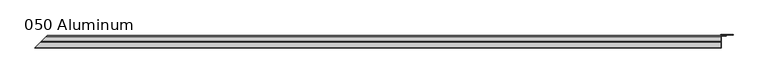
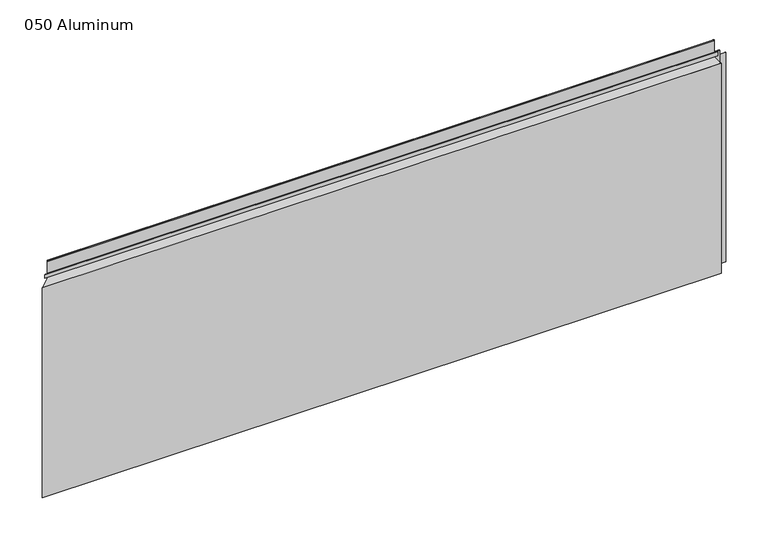
"""IFC4 building model written with IfcOpenShell, lengths in millimetres: plate geometry, 050 Aluminum."""

from ifc_helpers import new_model, si_unit, frame, origin, origin_with_axes, place, context, project, spatial, polyline, circle_curve, ellipse_curve, outline, extrude, source, transform, mapped, element, save
from ifc_brep_helpers import plane_surface, cylinder_surface, revolved_surface, advanced_brep


def plate_050_aluminum_3308f570(model_context):
    return source(origin(), model_context, "Body", "SolidModel", [
        advanced_brep(
        [(906.7800002, -16.6765477, 13.1458337), (906.7800002, -23.0264743, 13.124237), (906.7800002, -23.0264743, 1.2693678), (906.7800002, -34.7980002, 1.2693678), (906.7800002, -34.7980002, 0.0), (906.7800002, -21.7564743, 0.0), (906.7800002, -21.7564743, 13.124237), (906.7800002, -17.9464915, 13.1323356), (906.7800002, -17.9464915, 2.786437), (906.7800002, -16.6765477, 2.786437), (-937.4265479, -16.6765477, 2.786437), (-937.4265479, -16.6765477, 13.1458337), (-938.6964916, -17.9464915, 2.786437), (-938.6964916, -17.9464915, 13.1323356), (-942.5064744, -21.7564743, 13.124237), (-942.5064744, -21.7564743, 0.0), (-955.5480002, -34.7980002, 0.0), (-955.5480002, -34.7980002, 1.2693678), (-943.7764744, -23.0264743, 1.2693678), (-943.7764744, -23.0264743, 13.124237)],
        [
            (0, 1, circle_curve(frame((906.7800002, -19.8514743, 13.124237), z_axis=(1.0, 0.0, 0.0), x_axis=(0.0, 0.0, -1.0)), 3.175)),
            (1, 2),
            (2, 3),
            (3, 4),
            (4, 5),
            (5, 6),
            (6, 7, circle_curve(frame((906.7800002, -19.8514743, 13.124237), z_axis=(-1.0, 0.0, 0.0), x_axis=(0.0, 0.0, -1.0)), 1.905)),
            (7, 8),
            (8, 9),
            (9, 0),
            (9, 10),
            (10, 11),
            (11, 0),
            (8, 12),
            (12, 10),
            (7, 13),
            (13, 12),
            (6, 14),
            (14, 13, ellipse_curve(frame((-940.6014744, -19.8514743, 13.124237), z_axis=(-0.7071067811865465, 0.7071067811865488, 0.0), x_axis=(0.7071067811865486, 0.7071067811865465, 0.0)), 2.6940768, 1.905)),
            (5, 15),
            (15, 14),
            (4, 16),
            (16, 15),
            (3, 17),
            (17, 16),
            (2, 18),
            (18, 17),
            (1, 19),
            (19, 18),
            (11, 19, ellipse_curve(frame((-940.6014744, -19.8514743, 13.124237), z_axis=(0.7071067811865465, -0.7071067811865488, 0.0), x_axis=(-0.7071067811865486, -0.7071067811865465, 0.0)), 4.4901281, 3.175)),
        ],
        [
            plane_surface(frame((906.7800002, -36.068, 0.0), z_axis=(1.0, 0.0, 0.0), x_axis=(0.0, 0.0, 1.0))),
            plane_surface(frame((-955.5480002, -16.6765477, 13.1458337), z_axis=(0.0, 1.0, 0.0), x_axis=(1.0, 0.0, 0.0))),
            plane_surface(frame((-955.5480002, -16.6765477, 2.786437), z_axis=(0.0, 0.0, -1.0), x_axis=(1.0, 0.0, 0.0))),
            plane_surface(frame((-955.5480002, -17.9464915, 2.786437), z_axis=(0.0, -1.0, 0.0), x_axis=(1.0, 0.0, 0.0))),
            revolved_surface(polyline([(906.7800002, -19.8514743, 11.219237000000001), (-942.5064744, -19.8514743, 11.219237000000001)]), (-955.5480002, -19.8514743, 13.124237), (1.0, 0.0, 0.0)),
            plane_surface(frame((-955.5480002, -21.7564743, 13.124237), z_axis=(0.0, 1.0, 0.0), x_axis=(1.0, 0.0, 0.0))),
            plane_surface(frame((-955.5480002, -21.7564743, 0.0), z_axis=(0.0, 0.0, -1.0), x_axis=(1.0, 0.0, 0.0))),
            plane_surface(frame((-955.5480002, -34.7980002, 0.0), z_axis=(0.0, -1.0, 0.0), x_axis=(1.0, 0.0, 0.0))),
            plane_surface(frame((-955.5480002, -34.7980002, 1.2693678), z_axis=(0.0, 0.0, 1.0), x_axis=(1.0, 0.0, 0.0))),
            plane_surface(frame((-955.5480002, -23.0264743, 1.2693678), z_axis=(0.0, -1.0, 0.0), x_axis=(1.0, 0.0, 0.0))),
            cylinder_surface(frame((-955.5480002, -19.8514743, 13.124237), z_axis=(-1.0, 0.0, 0.0), x_axis=(0.0, 0.0, -1.0)), 3.175),
            plane_surface(frame((-956.8180002, -36.068, 795.4549971), z_axis=(-0.7071067811865465, 0.7071067811865488, 0.0), x_axis=(0.0, 0.0, -1.0))),
        ],
        [
            (0, [[1, 2, 3, 4, 5, 6, 7, 8, 9, 10]]),
            (1, [[-10, 11, 12, 13]]),
            (2, [[-9, 14, 15, -11]]),
            (3, [[-8, 16, 17, -14]]),
            (4, [[-7, 18, 19, -16]]),
            (5, [[-6, 20, 21, -18]]),
            (6, [[-5, 22, 23, -20]]),
            (7, [[-4, 24, 25, -22]]),
            (8, [[-3, 26, 27, -24]]),
            (9, [[-2, 28, 29, -26]]),
            (10, [[-1, -13, 30, -28]]),
            (11, [[-12, -15, -17, -19, -21, -23, -25, -27, -29, -30]]),
        ],
    ),
        advanced_brep(
        [(906.7800002, -2.0574743, 656.7932001), (906.7800002, -5.3594742, 656.7932001), (906.7800002, -5.3594742, 623.57), (906.7800002, -19.2164743, 623.57), (906.7800002, -19.2164743, 633.6538), (906.7800002, -20.4864742, 633.6538), (906.7800002, -20.4864742, 622.3), (906.7800002, -4.0894742, 622.3), (906.7800002, -4.0894742, 656.7932001), (906.7800002, -3.3274743, 656.7932001), (906.7800002, -3.3274743, 609.6000001), (906.7800002, -34.7980002, 609.6000001), (906.7800002, -34.7980002, 608.33), (906.7800002, -2.0574743, 608.33), (-922.8074744, -2.0574743, 608.33), (-922.8074744, -2.0574743, 656.7932001), (-955.5480002, -34.7980002, 608.33), (-955.5480002, -34.7980002, 609.6000001), (-924.0774744, -3.3274743, 609.6000001), (-924.0774744, -3.3274743, 656.7932001), (-924.8394743, -4.0894742, 656.7932001), (-924.8394743, -4.0894742, 622.3), (-941.2364744, -20.4864742, 622.3), (-941.2364744, -20.4864742, 633.6538), (-939.9664745, -19.2164743, 633.6538), (-939.9664745, -19.2164743, 623.57), (-926.1094743, -5.3594742, 623.57), (-926.1094743, -5.3594742, 656.7932001)],
        [
            (0, 1, circle_curve(frame((906.7800002, -3.7084742, 656.7932001), z_axis=(1.0, 0.0, 0.0), x_axis=(0.0, 0.0, -1.0)), 1.6509999)),
            (1, 2),
            (2, 3),
            (3, 4),
            (4, 5),
            (5, 6),
            (6, 7),
            (7, 8),
            (8, 9, circle_curve(frame((906.7800002, -3.7084742, 656.7932001), z_axis=(-1.0, 0.0, 0.0), x_axis=(0.0, 0.0, -1.0)), 0.3809999)),
            (9, 10),
            (10, 11),
            (11, 12),
            (12, 13),
            (13, 0),
            (13, 14),
            (14, 15),
            (15, 0),
            (12, 16),
            (16, 14),
            (11, 17),
            (17, 16),
            (10, 18),
            (18, 17),
            (9, 19),
            (19, 18),
            (8, 20),
            (20, 19, ellipse_curve(frame((-924.4584744, -3.7084742, 656.7932001), z_axis=(-0.7071067811865465, 0.7071067811865488, 0.0), x_axis=(0.7071067811865486, 0.7071067811865465, 0.0)), 0.5388153, 0.3809999)),
            (7, 21),
            (21, 20),
            (6, 22),
            (22, 21),
            (5, 23),
            (23, 22),
            (4, 24),
            (24, 23),
            (3, 25),
            (25, 24),
            (2, 26),
            (26, 25),
            (1, 27),
            (27, 26),
            (15, 27, ellipse_curve(frame((-924.4584744, -3.7084742, 656.7932001), z_axis=(0.7071067811865465, -0.7071067811865488, 0.0), x_axis=(-0.7071067811865486, -0.7071067811865465, 0.0)), 2.3348665, 1.6509999)),
        ],
        [
            plane_surface(frame((906.7800002, -36.068, 609.6), z_axis=(1.0, 0.0, 0.0), x_axis=(0.0, 0.0, 1.0))),
            plane_surface(frame((-955.5480002, -2.0574743, 656.7932001), z_axis=(0.0, 1.0, 0.0), x_axis=(1.0, 0.0, 0.0))),
            plane_surface(frame((-955.5480002, -2.0574743, 608.33), z_axis=(0.0, 0.0, -1.0), x_axis=(1.0, 0.0, 0.0))),
            plane_surface(frame((-955.5480002, -34.7980002, 608.33), z_axis=(0.0, -1.0, 0.0), x_axis=(1.0, 0.0, 0.0))),
            plane_surface(frame((-955.5480002, -34.7980002, 609.6000001), z_axis=(0.0, 0.0, 1.0), x_axis=(1.0, 0.0, 0.0))),
            plane_surface(frame((-955.5480002, -3.3274743, 609.6000001), z_axis=(0.0, -1.0, 0.0), x_axis=(1.0, 0.0, 0.0))),
            revolved_surface(polyline([(906.7800002, -3.7084742, 656.4122002), (-924.839474352437, -3.7084742, 656.4122002)]), (-955.5480002, -3.7084742, 656.7932001), (1.0, 0.0, 0.0)),
            plane_surface(frame((-955.5480002, -4.0894742, 656.7932001), z_axis=(0.0, 1.0, 0.0), x_axis=(1.0, 0.0, 0.0))),
            plane_surface(frame((-955.5480002, -4.0894742, 622.3), z_axis=(0.0, 0.0, -1.0), x_axis=(1.0, 0.0, 0.0))),
            plane_surface(frame((-955.5480002, -20.4864742, 622.3), z_axis=(0.0, -1.0, 0.0), x_axis=(1.0, 0.0, 0.0))),
            plane_surface(frame((-955.5480002, -20.4864742, 633.6538), z_axis=(0.0, 0.0, 1.0), x_axis=(1.0, 0.0, 0.0))),
            plane_surface(frame((-955.5480002, -19.2164743, 633.6538), z_axis=(0.0, 1.0, 0.0), x_axis=(1.0, 0.0, 0.0))),
            plane_surface(frame((-955.5480002, -19.2164743, 623.57), z_axis=(0.0, 0.0, 1.0), x_axis=(1.0, 0.0, 0.0))),
            plane_surface(frame((-955.5480002, -5.3594742, 623.57), z_axis=(0.0, -1.0, 0.0), x_axis=(1.0, 0.0, 0.0))),
            cylinder_surface(frame((-955.5480002, -3.7084742, 656.7932001), z_axis=(-1.0, 0.0, 0.0), x_axis=(0.0, 0.0, -1.0)), 1.6509999),
            plane_surface(frame((-956.8180002, -36.068, 795.4549971), z_axis=(-0.7071067811865465, 0.7071067811865488, 0.0), x_axis=(0.0, 0.0, -1.0))),
        ],
        [
            (0, [[1, 2, 3, 4, 5, 6, 7, 8, 9, 10, 11, 12, 13, 14]]),
            (1, [[-14, 15, 16, 17]]),
            (2, [[-13, 18, 19, -15]]),
            (3, [[-12, 20, 21, -18]]),
            (4, [[-11, 22, 23, -20]]),
            (5, [[-10, 24, 25, -22]]),
            (6, [[-9, 26, 27, -24]]),
            (7, [[-8, 28, 29, -26]]),
            (8, [[-7, 30, 31, -28]]),
            (9, [[-6, 32, 33, -30]]),
            (10, [[-5, 34, 35, -32]]),
            (11, [[-4, 36, 37, -34]]),
            (12, [[-3, 38, 39, -36]]),
            (13, [[-2, 40, 41, -38]]),
            (14, [[-1, -17, 42, -40]]),
            (15, [[-16, -19, -21, -23, -25, -27, -29, -31, -33, -35, -37, -39, -41, -42]]),
        ],
    ),
        extrude(outline(polyline([(908.0500002, -34.7980001), (908.0500002, -36.068), (-956.8180002, -36.068), (-955.5480002, -34.7980001), (908.0500002, -34.7980001)])), origin_with_axes(), (0.0, 0.0, 1.0), 609.6),
        extrude(outline(polyline([(908.0500002, -1.2699999), (908.0500002, -34.7980002), (906.7800002, -34.7980002), (906.7800002, 0.0), (940.5620858, 0.0), (940.5620858, -1.2699999), (908.0500002, -1.2699999)])), origin_with_axes(), (0.0, 0.0, 1.0), 608.33),
        extrude(outline(polyline([(906.7800002, -3.3274743), (906.7800002, -2.0574743), (922.5280001, -2.0574743), (922.5280001, -3.3274743), (906.7800002, -3.3274743)])), origin_with_axes(), (0.0, 0.0, 1.0), 622.3),
    ])


if __name__ == "__main__":
    model = new_model("IFC4")
    model_context = context("Model", 3, world=origin())
    ifc_project = project(units=[si_unit("LENGTHUNIT", "METRE", prefix="MILLI")], contexts=[model_context])
    site = spatial("IfcSite", under=ifc_project)
    building = spatial("IfcBuilding", under=site)
    placement = place(None, origin())
    plate_050_aluminum_shape = plate_050_aluminum_3308f570(model_context)
    element("IfcPlate", 1, ObjectType="050 Aluminum", at=placement, inside=building, context=model_context, shape_type="MappedRepresentation", body=[
        mapped(plate_050_aluminum_shape, transform((0.0, 0.0, 0.0), x_axis=(1.0, 0.0, 0.0), y_axis=(0.0, 1.0, 0.0), z_axis=(0.0, 0.0, 1.0))),
    ])
    save(model, "model.ifc")
